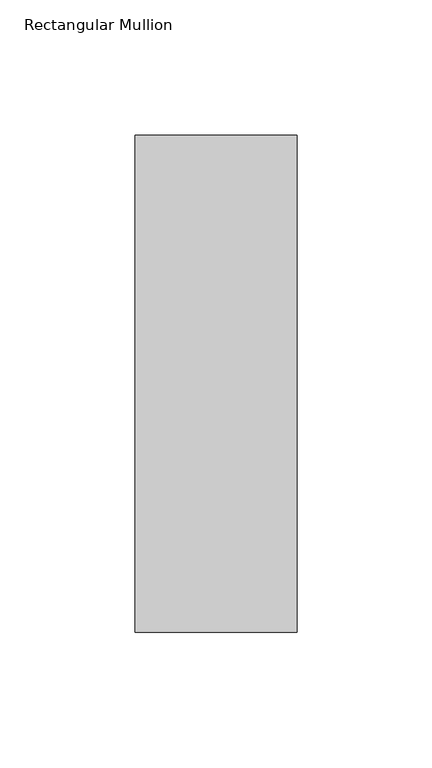
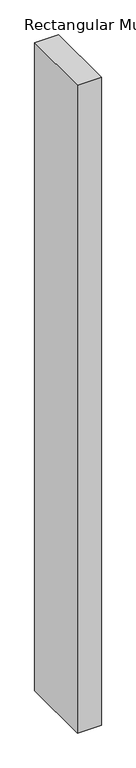
"""IFC4 building model written with IfcOpenShell, lengths in millimetres: member geometry, Rectangular Mullion."""

from ifc_helpers import new_model, si_unit, frame, origin, place, context, project, spatial, polyline, outline, extrude, source, transform, mapped, element, save


def rectangular_mullion_792769f7(model_context):
    return source(origin(), model_context, "Body", "SweptSolid", [
        extrude(outline(polyline([(30.0, 147.525), (30.0, -36.525), (-30.0, -36.525), (-30.0, 147.525), (30.0, 147.525)])), frame((0.0, 0.0, -1708.8912252), z_axis=(0.0, 0.0, 1.0), x_axis=(1.0, 0.0, 0.0)), (0.0, 0.0, 1.0), 1708.8912252),
    ])


if __name__ == "__main__":
    model = new_model("IFC4")
    model_context = context("Model", 3, world=origin())
    ifc_project = project(units=[si_unit("LENGTHUNIT", "METRE", prefix="MILLI")], contexts=[model_context])
    site = spatial("IfcSite", under=ifc_project)
    building = spatial("IfcBuilding", under=site)
    placement = place(None, origin())
    rectangular_mullion_shape = rectangular_mullion_792769f7(model_context)
    element("IfcMember", 1, ObjectType="Rectangular Mullion", at=placement, inside=building, context=model_context, shape_type="MappedRepresentation", body=[
        mapped(rectangular_mullion_shape, transform((0.0, 0.0, 0.0), x_axis=(1.0, 0.0, 0.0), y_axis=(0.0, 1.0, 0.0), z_axis=(0.0, 0.0, 1.0))),
    ])
    save(model, "model.ifc")
